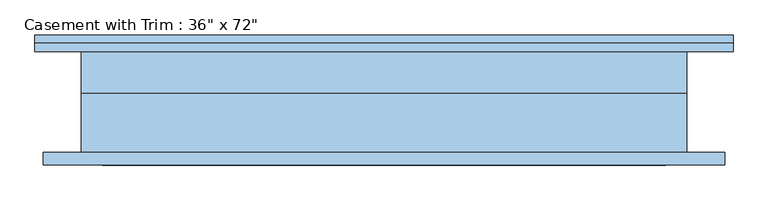
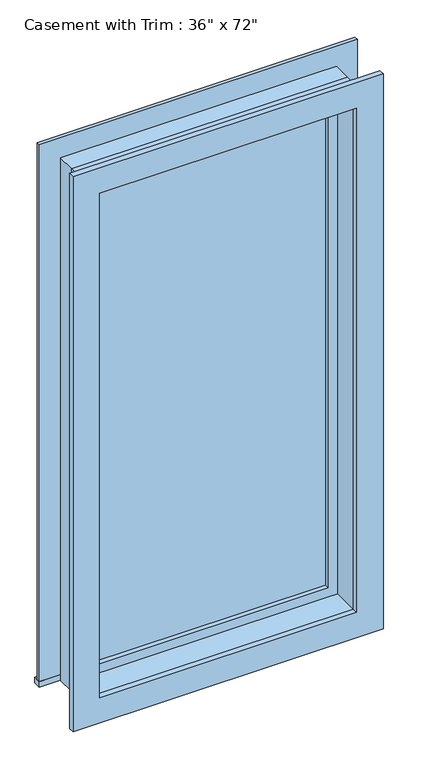
"""IFC4 building model written with IfcOpenShell, lengths in millimetres: window geometry."""

from ifc_helpers import new_model, si_unit, frame, origin, place, context, project, spatial, polyline, outline, extrude, source, transform, mapped, element, save


def window_6e7976b5(model_context):
    return source(origin(), model_context, "Body", "SweptSolid", [
        extrude(outline(polyline([(-527.05, 101.6), (527.05, 101.6), (527.05, 76.2), (-527.05, 76.2), (-527.05, 101.6)])), frame((0.0, 0.0, 304.8), z_axis=(0.0, 0.0, 1.0), x_axis=(1.0, 0.0, 0.0)), (0.0, 0.0, 1.0), 19.05),
        extrude(outline(polyline([(2114.55, -438.15), (2114.55, 438.15), (323.85, 438.15), (323.85, 527.05), (2203.45, 527.05), (2203.45, -527.05), (323.85, -527.05), (323.85, -438.15), (2114.55, -438.15)])), frame((0.0, 76.2, 0.0), z_axis=(0.0, 1.0, 0.0), x_axis=(0.0, 0.0, 1.0)), (0.0, 0.0, 1.0), 12.7),
        extrude(outline(polyline([(2190.75, 514.35), (2190.75, -514.35), (247.65, -514.35), (247.65, 514.35), (2190.75, 514.35)]), holes=[polyline([(2101.85, 425.45), (336.55, 425.45), (336.55, -425.45), (2101.85, -425.45), (2101.85, 425.45)])]), frame((0.0, -95.25, 0.0), z_axis=(0.0, 1.0, 0.0), x_axis=(0.0, 0.0, 1.0)), (0.0, 0.0, 1.0), 19.05),
        extrude(outline(polyline([(393.7, 28.575), (-393.7, 28.575), (-393.7, 41.275), (393.7, 41.275), (393.7, 28.575)])), frame((0.0, 0.0, 368.3), z_axis=(0.0, 0.0, 1.0), x_axis=(1.0, 0.0, 0.0)), (0.0, 0.0, 1.0), 1701.8),
        extrude(outline(polyline([(2114.55, -438.15), (323.85, -438.15), (323.85, 438.15), (2114.55, 438.15), (2114.55, -438.15)]), holes=[polyline([(2070.1, -393.7), (2070.1, 393.7), (368.3, 393.7), (368.3, -393.7), (2070.1, -393.7)])]), frame((0.0, 12.7, 0.0), z_axis=(0.0, 1.0, 0.0), x_axis=(0.0, 0.0, 1.0)), (0.0, 0.0, 1.0), 44.45),
        extrude(outline(polyline([(2133.6, -457.2), (304.8, -457.2), (304.8, 457.2), (2133.6, 457.2), (2133.6, -457.2)]), holes=[polyline([(2101.85, -425.45), (2101.85, 425.45), (336.55, 425.45), (336.55, -425.45), (2101.85, -425.45)])]), frame((0.0, -76.2, 0.0), z_axis=(0.0, 1.0, 0.0), x_axis=(0.0, 0.0, 1.0)), (0.0, 0.0, 1.0), 88.9),
        extrude(outline(polyline([(2133.6, 457.2), (2133.6, -457.2), (304.8, -457.2), (304.8, 457.2), (2133.6, 457.2)]), holes=[polyline([(2114.55, 438.15), (323.85, 438.15), (323.85, -438.15), (2114.55, -438.15), (2114.55, 438.15)])]), frame((0.0, 12.7, 0.0), z_axis=(0.0, 1.0, 0.0), x_axis=(0.0, 0.0, 1.0)), (0.0, 0.0, 1.0), 63.5),
    ])


if __name__ == "__main__":
    model = new_model("IFC4")
    model_context = context("Model", 3, world=origin())
    ifc_project = project(units=[si_unit("LENGTHUNIT", "METRE", prefix="MILLI")], contexts=[model_context])
    site = spatial("IfcSite", under=ifc_project)
    building = spatial("IfcBuilding", under=site)
    placement = place(None, origin())
    window_shape = window_6e7976b5(model_context)
    element("IfcWindow", 1, ObjectType="Casement with Trim : 36\" x 72\"", at=placement, inside=building, context=model_context, shape_type="MappedRepresentation", body=[
        mapped(window_shape, transform((0.0, 0.0, 0.0), x_axis=(1.0, 0.0, 0.0), y_axis=(0.0, 1.0, 0.0), z_axis=(0.0, 0.0, 1.0))),
    ])
    save(model, "model.ifc")
